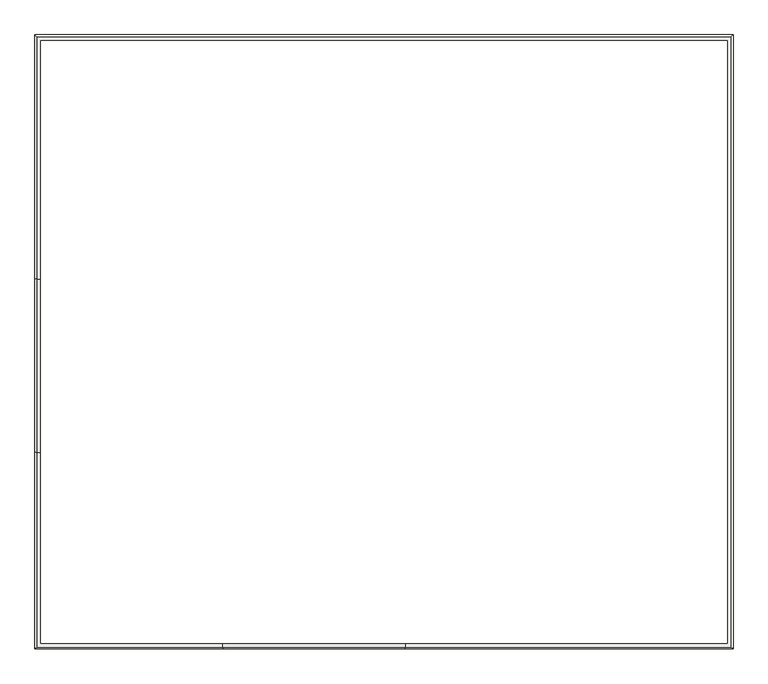
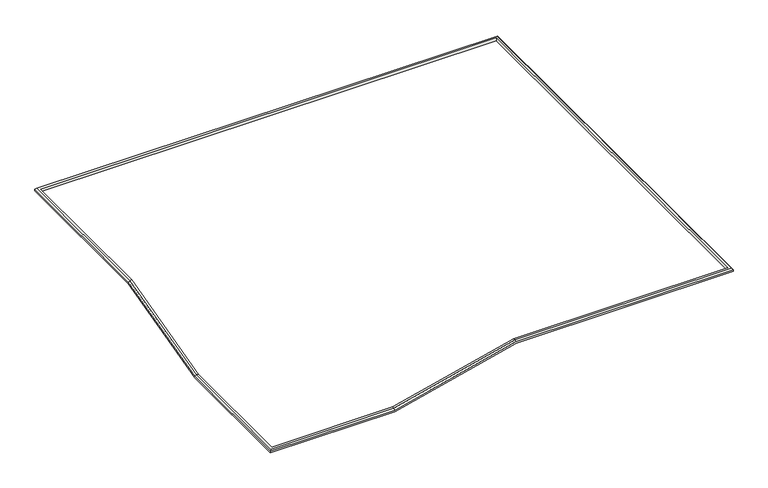
"""IFC4 building model written with IfcOpenShell, lengths in millimetres: slab geometry."""

from ifc_helpers import new_model, si_unit, origin, place, context, project, spatial, faceted_brep, source, transform, mapped, element, save


def slab_4f68c6ce(model_context):
    return source(origin(), model_context, "Body", "Brep", [
        faceted_brep([(-14689.3882282, 1354.1576842, 0.0), (-14792.8196857, 1354.1576842, 0.0), (-14792.8196857, -4045.8423158, -1400.0), (-14689.3882282, -4045.8423158, -1400.0), (-14849.3882282, 1371.5731264, -136.5685425), (-14689.3882282, 1371.5731264, -136.5685425), (-14689.3882282, -4028.4268736, -1536.5685425), (-14849.3882282, -4028.4268736, -1536.5685425), (-14849.3882282, 1361.3713965, -56.5685425), (-14849.3882282, -4038.6286035, -1456.5685425), (-14792.8196857, -10106.6088906, -1400.0), (-9012.4363984, -10106.6088906, -1400.0), (-9012.4363984, -10003.1774331, -1400.0), (-14689.3882282, -10003.1774331, -1400.0), (-14689.3882282, -10003.1774331, -1536.5685425), (-8995.8549955, -10003.1774331, -1536.5685425), (-8995.8549955, -10163.1774331, -1536.5685425), (-14849.3882282, -10163.1774331, -1536.5685425), (-14849.3882282, -10163.1774331, -1456.5685425), (-3332.053111, -10003.1774331, 0.0), (6703.7488568, -10003.1774331, 0.0), (6703.7488568, -10003.1774331, -136.5685425), (-3315.4717081, -10003.1774331, -136.5685425), (-3315.4717081, -10163.1774331, -136.5685425), (6863.7488568, -10163.1774331, -136.5685425), (6863.7488568, -10163.1774331, -56.5685425), (-3325.184869, -10163.1774331, -56.5685425), (-9005.5681564, -10163.1774331, -1456.5685425), (-3332.053111, -10106.6088906, 0.0), (6807.1803143, -10106.6088906, 0.0), (6807.1803143, 8893.3911094, 0.0), (-14792.8196857, 8893.3911094, 0.0), (-14689.3882282, 8789.9596519, 0.0), (6703.7488568, 8789.9596519, 0.0), (6703.7488568, 8789.9596519, -136.5685425), (-14689.3882282, 8789.9596519, -136.5685425), (-14849.3882282, 8949.9596519, -136.5685425), (6863.7488568, 8949.9596519, -136.5685425), (6863.7488568, 8949.9596519, -56.5685425), (-14849.3882282, 8949.9596519, -56.5685425)], [[[0, 1, 2, 3]], [[4, 5, 6, 7]], [[1, 8, 9, 2]], [[3, 2, 10, 11, 12, 13]], [[7, 6, 14, 15, 16, 17]], [[2, 9, 18, 10]], [[14, 13, 12, 19, 20, 21, 22, 15]], [[18, 17, 16, 23, 24, 25, 26, 27]], [[10, 18, 27, 11]], [[12, 11, 28, 19]], [[16, 15, 22, 23]], [[11, 27, 26, 28]], [[19, 28, 29, 30, 31, 1, 0, 32, 33, 20]], [[23, 22, 21, 34, 35, 5, 4, 36, 37, 24]], [[28, 26, 25, 29]], [[21, 20, 33, 34]], [[25, 24, 37, 38]], [[29, 25, 38, 30]], [[34, 33, 32, 35]], [[38, 37, 36, 39]], [[30, 38, 39, 31]], [[35, 32, 0, 3, 13, 14, 6, 5]], [[39, 36, 4, 7, 17, 18, 9, 8]], [[31, 39, 8, 1]]]),
    ])


if __name__ == "__main__":
    model = new_model("IFC4")
    model_context = context("Model", 3, world=origin())
    ifc_project = project(units=[si_unit("LENGTHUNIT", "METRE", prefix="MILLI")], contexts=[model_context])
    site = spatial("IfcSite", under=ifc_project)
    building = spatial("IfcBuilding", under=site)
    placement = place(None, origin())
    slab_shape = slab_4f68c6ce(model_context)
    element("IfcSlab", 1, at=placement, inside=building, context=model_context, shape_type="MappedRepresentation", body=[
        mapped(slab_shape, transform((0.0, 0.0, 0.0), x_axis=(1.0, 0.0, 0.0), y_axis=(0.0, 1.0, 0.0), z_axis=(0.0, 0.0, 1.0))),
    ])
    save(model, "model.ifc")
